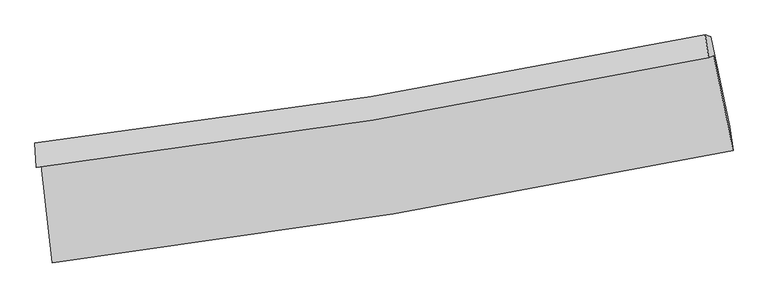
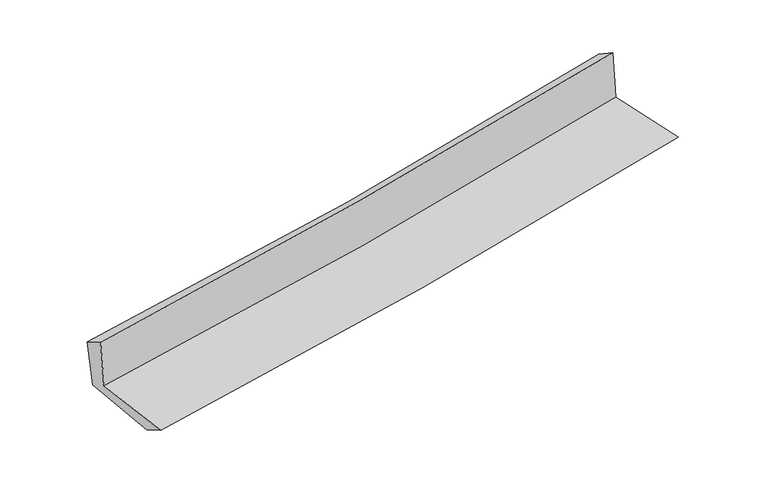
"""IFC4 building model written with IfcOpenShell, lengths in millimetres: proxy geometry."""

from ifc_helpers import new_model, si_unit, frame, origin, place, context, project, spatial, source, transform, mapped, element, save
from ifc_brep_helpers import plane_surface, spline_curve, spline_surface, advanced_brep


def generic_models_0f5cd305(model_context):
    return source(origin(), model_context, "Body", "AdvancedBrep", [
        advanced_brep(
        [(-2334.8321812, -1865.0185271, 1666.4988061), (-2259.7758876, -2536.1562328, 1662.9739479), (2419.3433394, -1760.520125, 2089.8806017), (2285.9876726, -1108.8058658, 2087.7434567), (-2369.0472936, -1880.0319212, 2062.1293184), (2251.0450661, -1124.1384801, 2491.7860077), (-2379.5454347, -1709.823029, 1968.9076198), (2227.9290811, -965.9693052, 2393.1437921), (-2343.9364867, -1724.229713, 1594.0285217), (2266.4446328, -979.3984633, 2013.727603), (-2270.3025765, -2359.5947219, 1562.2681802), (2395.229385, -1595.842762, 1987.6762239)],
        [
            (0, 1),
            (1, 2, spline_curve(3, [(-2259.7758876, -2536.1562328, 1662.9739479), (-1475.552075029, -2440.23593666, 1733.109367213), (-693.935040279, -2327.727853263, 1803.71340802), (865.782740145, -2069.254843694, 1946.01358193), (1643.872114295, -1923.217558204, 2017.711758871), (2419.3433394, -1760.520125, 2089.8806017)], [4, 2, 4], [0.0, 7.755511510729659, 15.527920318953802])),
            (2, 3),
            (3, 0, spline_curve(3, [(2285.9876726, -1108.8058658, 2087.7434567), (1520.595748173, -1267.710027737, 2016.608167809), (752.409400541, -1410.230596815, 1945.899066507), (-787.876020935, -1662.23032489, 1805.486033879), (-1559.962958036, -1771.780643169, 1735.780251822), (-2334.8321812, -1865.0185271, 1666.4988061)], [4, 2, 4], [0.0, 7.772408808224143, 15.527920318953802])),
            (4, 0),
            (3, 5),
            (5, 4, spline_curve(3, [(2251.0450661, -1124.1384801, 2491.7860077), (1485.244185786, -1283.222089612, 2425.379490747), (716.914339301, -1425.805624898, 2356.329672387), (-823.127431434, -1677.698440748, 2213.0992954), (-1594.828371403, -1787.079385605, 2138.930217098), (-2369.0472936, -1880.0319212, 2062.1293184)], [4, 2, 4], [0.0, 7.7223638144282285, 15.427939129698387])),
            (6, 4),
            (5, 7),
            (7, 6, spline_curve(3, [(2227.9290811, -965.9693052, 2393.1437921), (1465.418233462, -1125.942726272, 2319.636900454), (699.785389729, -1267.965188684, 2247.493451606), (-836.053008721, -1515.838463777, 2106.087316062), (-1606.24500353, -1621.767242563, 2036.818707348), (-2379.5454347, -1709.823029, 1968.9076198)], [4, 2, 4], [0.0, 7.710386562286322, 15.40401066408516])),
            (8, 6),
            (7, 9),
            (9, 8, spline_curve(3, [(2266.4446328, -979.3984633, 2013.727603), (1503.303595035, -1139.744234402, 1942.691396648), (737.113254793, -1282.034307125, 1872.160860256), (-799.693695818, -1530.232969255, 1732.26336273), (-1570.297062061, -1636.219979714, 1662.894205274), (-2343.9364867, -1724.229713, 1594.0285217)], [4, 2, 4], [0.0, 7.700579407566883, 15.384417675502526])),
            (10, 8),
            (9, 11),
            (11, 10, spline_curve(3, [(2395.229385, -1595.842762, 1987.6762239), (1622.027636503, -1756.570498076, 1915.791080646), (846.206503723, -1900.631504908, 1844.359754847), (-708.982193551, -2155.143102809, 1702.559044593), (-1488.338381155, -2265.666082974, 1632.187689253), (-2270.3025765, -2359.5947219, 1562.2681802)], [4, 2, 4], [0.0, 7.749939581918635, 15.4830307146742])),
            (1, 10),
            (11, 2),
        ],
        [
            spline_surface(3, 3, [[(-2334.8321812, -1865.0185271, 1666.4988061), (-1559.962957916, -1771.780643231, 1735.780251892), (-787.876021002, -1662.230325013, 1805.486033948), (752.409400608, -1410.230596692, 1945.899066438), (1520.595748281, -1267.71002779, 2016.608167888), (2285.9876726, -1108.8058658, 2087.7434567)], [(-2309.813416667, -2088.73109568, 1665.323853389), (-1531.82599696, -1994.599074408, 1734.88995706), (-756.562360776, -1884.062834415, 1804.895158691), (790.200513763, -1629.905345753, 1945.937238245), (1561.687870297, -1486.212537899, 2016.976031579), (2330.43956153, -1326.043952199, 2088.455838364)], [(-2284.794652133, -2312.44366422, 1664.148900611), (-1503.689036005, -2217.417505545, 1733.999662162), (-725.248700492, -2105.895343749, 1804.30428339), (827.991626976, -1849.580094745, 1945.975410009), (1602.779992322, -1704.71504801, 2017.343895277), (2374.89145047, -1543.282038601, 2089.168220036)], [(-2259.7758876, -2536.1562328, 1662.9739479), (-1475.55207505, -2440.235936722, 1733.10936733), (-693.935040265, -2327.727853151, 1803.713408133), (865.782740132, -2069.254843806, 1946.013581817), (1643.872114339, -1923.217558119, 2017.711758968), (2419.3433394, -1760.520125, 2089.8806017)]], [4, 4], [4, 2, 4], [0.0, 2.199215351106093], [0.0, 7.755511510729659, 15.527920318953802]),
            spline_surface(3, 3, [[(-2369.0472936, -1880.0319212, 2062.1293184), (-1594.828371341, -1787.079385673, 2138.930217149), (-823.127431383, -1677.698440661, 2213.099295363), (716.91433925, -1425.805624985, 2356.329672423), (1485.244185817, -1283.22208961, 2425.379490659), (2251.0450661, -1124.1384801, 2491.7860077)], [(-2357.64225614, -1875.027456504, 1930.252480963), (-1583.206566872, -1781.979804863, 2004.546895393), (-811.376961257, -1672.542402102, 2077.228208218), (728.746026368, -1420.613948877, 2219.519470421), (1497.028039951, -1278.051402341, 2289.122383088), (2262.69260158, -1119.027608671, 2357.105157386)], [(-2346.23721866, -1870.022991796, 1798.375643537), (-1571.584762384, -1776.880224041, 1870.163573648), (-799.626491128, -1667.386363572, 1941.357121093), (740.577713489, -1415.422272799, 2082.70926844), (1508.811894146, -1272.88071506, 2152.865275459), (2274.34013712, -1113.916737229, 2222.424307014)], [(-2334.8321812, -1865.0185271, 1666.4988061), (-1559.962957916, -1771.780643231, 1735.780251892), (-787.876021002, -1662.230325013, 1805.486033948), (752.409400608, -1410.230596692, 1945.899066438), (1520.595748281, -1267.71002779, 2016.608167888), (2285.9876726, -1108.8058658, 2087.7434567)]], [4, 4], [4, 2, 4], [0.0, 1.3479168048629635], [0.0, 7.705575315270159, 15.427939129698387]),
            spline_surface(3, 3, [[(-2379.5454347, -1709.823029, 1968.9076198), (-1606.24500357, -1621.767242506, 2036.818707398), (-836.053008682, -1515.838463708, 2106.087316042), (699.78538969, -1267.965188754, 2247.493451626), (1465.418233354, -1125.942726258, 2319.636900447), (2227.9290811, -965.9693052, 2393.1437921)], [(-2376.046054325, -1766.559326388, 1999.981519322), (-1602.439459486, -1676.871290217, 2070.855877304), (-831.744482893, -1569.791789353, 2141.757975836), (705.495039566, -1320.578667492, 2283.772191912), (1472.026884179, -1178.369180693, 2354.884430513), (2235.634409438, -1018.692363484, 2426.024530629)], [(-2372.546673975, -1823.295623812, 2031.055418878), (-1598.633915425, -1731.975337962, 2104.893047243), (-827.435957172, -1623.745115015, 2177.42863557), (711.204689374, -1373.192146246, 2320.050932137), (1478.635534992, -1230.795635175, 2390.131960593), (2243.339737762, -1071.415421816, 2458.905269171)], [(-2369.0472936, -1880.0319212, 2062.1293184), (-1594.828371341, -1787.079385673, 2138.930217149), (-823.127431383, -1677.698440661, 2213.099295363), (716.91433925, -1425.805624985, 2356.329672423), (1485.244185817, -1283.22208961, 2425.379490659), (2251.0450661, -1124.1384801, 2491.7860077)]], [4, 4], [4, 2, 4], [0.0, 0.6346935914494869], [0.0, 7.693624101798838, 15.40401066408516]),
            spline_surface(3, 3, [[(-2343.9364867, -1724.229713, 1594.0285217), (-1570.297062, -1636.219979664, 1662.894205272), (-799.693695769, -1530.232969198, 1732.263362745), (737.113254744, -1282.034307182, 1872.160860242), (1503.303595024, -1139.744234409, 1942.691396526), (2266.4446328, -979.3984633, 2013.727603)], [(-2355.806136061, -1719.427485016, 1718.988221062), (-1582.279709218, -1631.402400628, 1787.535705977), (-811.813466762, -1525.434800716, 1856.871347154), (724.670633037, -1277.344601055, 1997.271724013), (1490.675141136, -1135.143731719, 2068.339897808), (2253.606115569, -974.922077294, 2140.199666008)], [(-2367.675785339, -1714.625256984, 1843.947920438), (-1594.262356353, -1626.584821543, 1912.177206694), (-823.933237689, -1520.636632189, 1981.479331633), (712.228011397, -1272.654894881, 2122.382587855), (1478.046687241, -1130.543228948, 2193.988399165), (2240.767598331, -970.445691206, 2266.671729092)], [(-2379.5454347, -1709.823029, 1968.9076198), (-1606.24500357, -1621.767242506, 2036.818707398), (-836.053008682, -1515.838463708, 2106.087316042), (699.78538969, -1267.965188754, 2247.493451626), (1465.418233354, -1125.942726258, 2319.636900447), (2227.9290811, -965.9693052, 2393.1437921)]], [4, 4], [4, 2, 4], [0.0, 1.2357499216504468], [0.0, 7.683838267935643, 15.384417675502526]),
            spline_surface(3, 3, [[(-2270.3025765, -2359.5947219, 1562.2681802), (-1488.338381115, -2265.666082854, 1632.18768914), (-708.982193549, -2155.143102924, 1702.559044626), (846.206503721, -1900.631504794, 1844.359754813), (1622.027636631, -1756.57049811, 1915.791080525), (2395.229385, -1595.842762, 1987.6762239)], [(-2294.847213221, -2147.806385582, 1572.854960725), (-1515.657941398, -2055.850715106, 1642.423194542), (-739.219360943, -1946.839724998, 1712.460483998), (809.842087408, -1694.432438906, 1853.626789955), (1582.45295609, -1550.961743537, 1924.757852538), (2352.301134261, -1390.361329094, 1996.360016946)], [(-2319.391849979, -1936.018049318, 1583.441741175), (-1542.977501717, -1846.035347412, 1652.65869987), (-769.456528375, -1738.536347123, 1722.361923373), (773.477671057, -1488.233373069, 1862.8938251), (1542.878275565, -1345.352988982, 1933.724624514), (2309.372883539, -1184.879896206, 2005.043809954)], [(-2343.9364867, -1724.229713, 1594.0285217), (-1570.297062, -1636.219979664, 1662.894205272), (-799.693695769, -1530.232969198, 1732.263362745), (737.113254744, -1282.034307182, 1872.160860242), (1503.303595024, -1139.744234409, 1942.691396526), (2266.4446328, -979.3984633, 2013.727603)]], [4, 4], [4, 2, 4], [0.0, 2.068179031649781], [0.0, 7.733091132755565, 15.4830307146742]),
            spline_surface(3, 3, [[(-2259.7758876, -2536.1562328, 1662.9739479), (-1475.55207505, -2440.235936722, 1733.10936733), (-693.935040265, -2327.727853151, 1803.713408133), (865.782740132, -2069.254843806, 1946.013581817), (1643.872114339, -1923.217558119, 2017.711758968), (2419.3433394, -1760.520125, 2089.8806017)], [(-2263.284783886, -2477.30239583, 1629.405358639), (-1479.814177058, -2382.045985429, 1699.468807906), (-698.95075802, -2270.199603068, 1769.995286961), (859.257328001, -2013.047064128, 1912.128972813), (1636.590621792, -1867.668538108, 1983.738199488), (2411.305354622, -1705.627670658, 2055.812475767)], [(-2266.793680214, -2418.44855887, 1595.836769461), (-1484.076279107, -2323.856034147, 1665.828248564), (-703.966475795, -2212.671353006, 1736.277165798), (852.731915852, -1956.839284472, 1878.244363817), (1629.309129178, -1812.119518122, 1949.764640005), (2403.267369778, -1650.735216342, 2021.744349833)], [(-2270.3025765, -2359.5947219, 1562.2681802), (-1488.338381115, -2265.666082854, 1632.18768914), (-708.982193549, -2155.143102924, 1702.559044626), (846.206503721, -1900.631504794, 1844.359754813), (1622.027636631, -1756.57049811, 1915.791080525), (2395.229385, -1595.842762, 1987.6762239)]], [4, 4], [4, 2, 4], [0.0, 0.6535959715726767], [0.0, 7.792838674455834, 15.602655972852414]),
            plane_surface(frame((2307.6631962, -1255.7791669, 2177.3262809), z_axis=(0.9754904828854637, 0.1999092245020542, 0.09194900629627434), x_axis=(-0.10093108961052882, 0.03519148738234754, 0.9942708254624841))),
            plane_surface(frame((-2326.2399767, -2012.4756908, 1752.8010657), z_axis=(-0.9898425808753504, -0.11022690051788625, -0.08978694497668228), x_axis=(-0.11114004188238914, 0.9937910486561521, 0.005219454117664649))),
        ],
        [
            (0, [[1, 2, 3, 4]]),
            (1, [[5, -4, 6, 7]]),
            (2, [[8, -7, 9, 10]]),
            (3, [[11, -10, 12, 13]]),
            (4, [[14, -13, 15, 16]]),
            (5, [[17, -16, 18, -2]]),
            (6, [[-12, -9, -6, -3, -18, -15]]),
            (7, [[-1, -5, -8, -11, -14, -17]]),
        ],
    ),
    ])


if __name__ == "__main__":
    model = new_model("IFC4")
    model_context = context("Model", 3, world=origin())
    ifc_project = project(units=[si_unit("LENGTHUNIT", "METRE", prefix="MILLI")], contexts=[model_context])
    site = spatial("IfcSite", under=ifc_project)
    building = spatial("IfcBuilding", under=site)
    placement = place(None, origin())
    generic_models_shape = generic_models_0f5cd305(model_context)
    element("IfcBuildingElementProxy", 1, Name="Generic Models", at=placement, inside=building, context=model_context, shape_type="MappedRepresentation", body=[
        mapped(generic_models_shape, transform((0.0, 0.0, 0.0), x_axis=(1.0, 0.0, 0.0), y_axis=(0.0, 1.0, 0.0), z_axis=(0.0, 0.0, 1.0))),
    ])
    save(model, "model.ifc")
